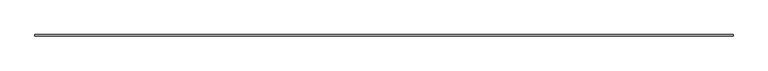
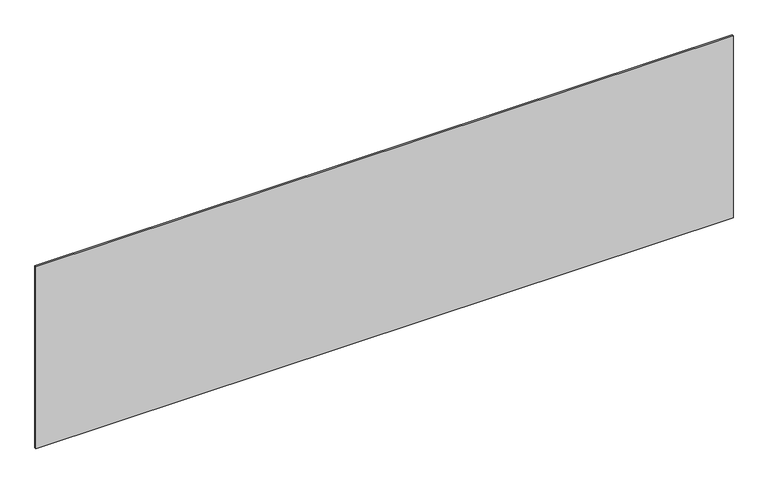
"""IFC4 building model written with IfcOpenShell, lengths in millimetres: plate geometry."""

from ifc_helpers import new_model, si_unit, origin, origin_with_axes, place, context, project, spatial, polyline, outline, extrude, source, transform, mapped, element, save


def plate_1f6e643f(model_context):
    return source(origin(), model_context, "Body", "SweptSolid", [
        extrude(outline(polyline([(2264.1666667, -5.0), (-2264.1666667, -5.0), (-2264.1666667, 5.0), (2264.1666667, 5.0), (2264.1666667, -5.0)])), origin_with_axes(), (0.0, 0.0, 1.0), 1249.3695227),
    ])


if __name__ == "__main__":
    model = new_model("IFC4")
    model_context = context("Model", 3, world=origin())
    ifc_project = project(units=[si_unit("LENGTHUNIT", "METRE", prefix="MILLI")], contexts=[model_context])
    site = spatial("IfcSite", under=ifc_project)
    building = spatial("IfcBuilding", under=site)
    placement = place(None, origin())
    plate_shape = plate_1f6e643f(model_context)
    element("IfcPlate", 1, at=placement, inside=building, context=model_context, shape_type="MappedRepresentation", body=[
        mapped(plate_shape, transform((0.0, 0.0, 0.0), x_axis=(1.0, 0.0, 0.0), y_axis=(0.0, 1.0, 0.0), z_axis=(0.0, 0.0, 1.0))),
    ])
    save(model, "model.ifc")
